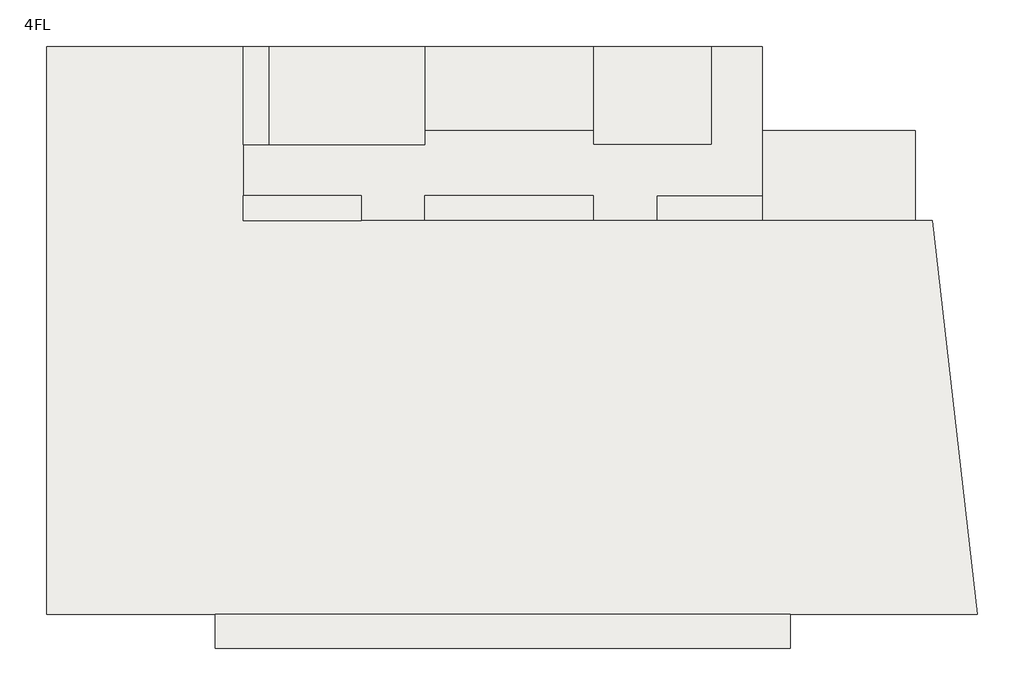
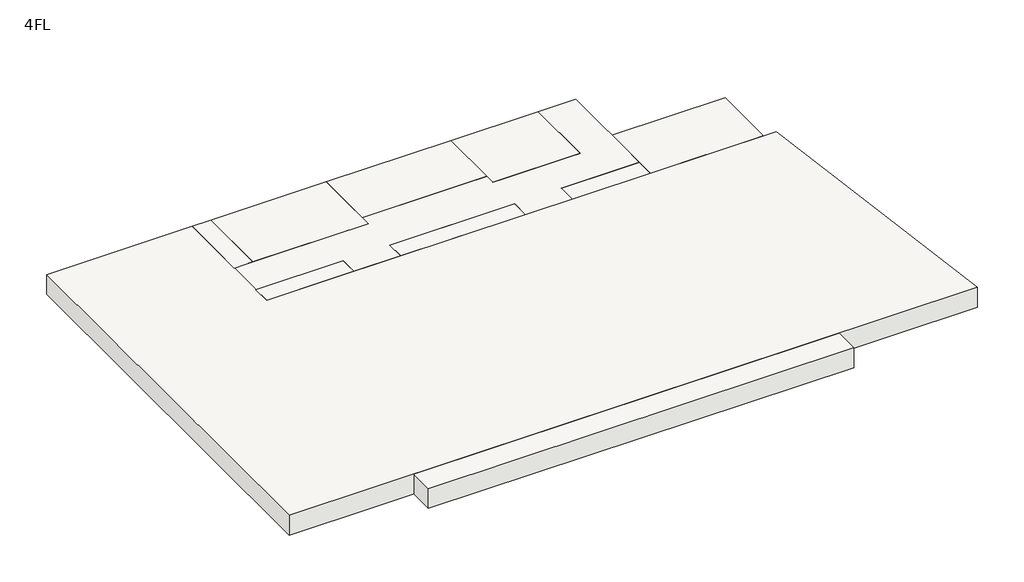
# One storey: 11 slabs.
"""IFC4 building model written with IfcOpenShell, lengths in millimetres."""

from ifc_helpers import new_model, si_unit, frame, origin, place, context, project, spatial, polyline, outline, extrude, element, save

model = new_model("IFC4")

# Units and contexts
model_context = context("Model", 3, world=origin())
ifc_project = project(units=[si_unit("LENGTHUNIT", "METRE", prefix="MILLI")], contexts=[model_context])

# Site, building, storey
site = spatial("IfcSite", under=ifc_project)
building = spatial("IfcBuilding", under=site)
storey = spatial("IfcBuildingStorey", under=building, Name="4FL", Elevation=12600.0)

# Slabs
placement = place(None, origin())
element("IfcSlab", 1, at=placement, inside=storey, context=model_context, shape_type="SweptSolid", body=[
    extrude(outline(polyline([(2054.0215975, 13649.6868987), (2054.0215975, 10449.6868987), (-3395.9784025, 10449.6868987), (-3395.9784025, 13649.6868987), (2054.0215975, 13649.6868987)])), frame((0.0, 0.0, 11600.0), z_axis=(0.0, 0.0, 1.0), x_axis=(1.0, 0.0, 0.0)), (0.0, 0.0, 1.0), 1000.0),
])
element("IfcSlab", 2, at=placement, inside=storey, context=model_context, shape_type="SweptSolid", body=[
    extrude(outline(polyline([(-3395.9784025, 11349.6868987), (-3395.9784025, 10449.6868987), (-7145.9784025, 10449.6868987), (-7145.9784025, 11349.6868987), (-3395.9784025, 11349.6868987)])), frame((0.0, 0.0, 11600.0), z_axis=(0.0, 0.0, 1.0), x_axis=(1.0, 0.0, 0.0)), (0.0, 0.0, 1.0), 1000.0),
])
element("IfcSlab", 3, at=placement, inside=storey, context=model_context, shape_type="SweptSolid", body=[
    extrude(outline(polyline([(-9395.9784025, 11349.6868987), (-9395.9784025, 10449.6868987), (-15395.9784025, 10449.6868987), (-15395.9784025, 11349.6868987), (-9395.9784025, 11349.6868987)])), frame((0.0, 0.0, 11600.0), z_axis=(0.0, 0.0, 1.0), x_axis=(1.0, 0.0, 0.0)), (0.0, 0.0, 1.0), 1000.0),
])
element("IfcSlab", 4, at=placement, inside=storey, context=model_context, shape_type="SweptSolid", body=[
    extrude(outline(polyline([(-17645.9784025, 11349.6868987), (-17645.9784025, 10449.6868987), (-21845.9784025, 10449.6868987), (-21845.9784025, 11349.6868987), (-17645.9784025, 11349.6868987)])), frame((0.0, 0.0, 11600.0), z_axis=(0.0, 0.0, 1.0), x_axis=(1.0, 0.0, 0.0)), (0.0, 0.0, 1.0), 1000.0),
])
element("IfcSlab", 5, at=placement, inside=storey, context=model_context, shape_type="SweptSolid", body=[
    extrude(outline(polyline([(-20945.9784025, 16649.6868987), (-20945.9784025, 13149.6868987), (-21845.9784025, 13149.6868987), (-21845.9784025, 16649.6868987), (-20945.9784025, 16649.6868987)])), frame((0.0, 0.0, 11600.0), z_axis=(0.0, 0.0, 1.0), x_axis=(1.0, 0.0, 0.0)), (0.0, 0.0, 1.0), 1000.0),
])
element("IfcSlab", 6, at=placement, inside=storey, context=model_context, shape_type="SweptSolid", body=[
    extrude(outline(polyline([(-9395.9784025, 16649.6868987), (-9395.9784025, 13649.6868987), (-15395.9784025, 13649.6868987), (-15395.9784025, 16649.6868987), (-9395.9784025, 16649.6868987)])), frame((0.0, 0.0, 11600.0), z_axis=(0.0, 0.0, 1.0), x_axis=(1.0, 0.0, 0.0)), (0.0, 0.0, 1.0), 1000.0),
])
element("IfcSlab", 7, at=placement, inside=storey, context=model_context, shape_type="SweptSolid", body=[
    extrude(outline(polyline([(-5195.9784025, 16649.6868987), (-5195.9784025, 13149.6868987), (-9395.9784025, 13149.6868987), (-9395.9784025, 16649.6868987), (-5195.9784025, 16649.6868987)])), frame((0.0, 0.0, 11600.0), z_axis=(0.0, 0.0, 1.0), x_axis=(1.0, 0.0, 0.0)), (0.0, 0.0, 1.0), 1000.0),
])
element("IfcSlab", 8, at=placement, inside=storey, context=model_context, shape_type="SweptSolid", body=[
    extrude(outline(polyline([(-15395.9784025, 16649.6868987), (-15395.9784025, 13149.6868987), (-20945.9784025, 13149.6868987), (-20945.9784025, 16649.6868987), (-15395.9784025, 16649.6868987)])), frame((0.0, 0.0, 11600.0), z_axis=(0.0, 0.0, 1.0), x_axis=(1.0, 0.0, 0.0)), (0.0, 0.0, 1.0), 1000.0),
])
element("IfcSlab", 9, at=placement, inside=storey, context=model_context, shape_type="SweptSolid", body=[
    extrude(outline(polyline([(-28845.9784025, -3550.3131013), (-28845.9784025, 16649.6868987), (-21845.9784025, 16649.6868987), (-21845.9784025, 10449.6868987), (2661.9595949, 10449.6868987), (4261.9595949, -3550.3131013), (-28845.9784025, -3550.3131013)])), frame((0.0, 0.0, 11600.0), z_axis=(0.0, 0.0, 1.0), x_axis=(1.0, 0.0, 0.0)), (0.0, 0.0, 1.0), 1000.0),
])
element("IfcSlab", 10, at=placement, inside=storey, context=model_context, shape_type="SweptSolid", body=[
    extrude(outline(polyline([(-15395.9784025, 13149.6868987), (-15395.9784025, 13649.6868987), (-9395.9784025, 13649.6868987), (-9395.9784025, 13149.6868987), (-5195.9784025, 13149.6868987), (-5195.9784025, 16649.6868987), (-3395.9784025, 16649.6868987), (-3395.9784025, 11349.6868987), (-7145.9784025, 11349.6868987), (-7145.9784025, 10449.6868987), (-9395.9784025, 10449.6868987), (-9395.9784025, 11349.6868987), (-15395.9784025, 11349.6868987), (-15395.9784025, 10449.6868987), (-17645.9784025, 10449.6868987), (-17645.9784025, 11349.6868987), (-21845.9784025, 11349.6868987), (-21845.9784025, 13149.6868987), (-15395.9784025, 13149.6868987)])), frame((0.0, 0.0, 11600.0), z_axis=(0.0, 0.0, 1.0), x_axis=(1.0, 0.0, 0.0)), (0.0, 0.0, 1.0), 1000.0),
])
element("IfcSlab", 11, at=placement, inside=storey, context=model_context, shape_type="SweptSolid", body=[
    extrude(outline(polyline([(-22845.9784025, -3550.3131013), (-2395.9784025, -3550.3131013), (-2395.9784025, -4773.2796189), (-22845.9784025, -4773.2796189), (-22845.9784025, -3550.3131013)])), frame((0.0, 0.0, 11600.0), z_axis=(0.0, 0.0, 1.0), x_axis=(1.0, 0.0, 0.0)), (0.0, 0.0, 1.0), 1000.0),
])

save(model, "model.ifc")
